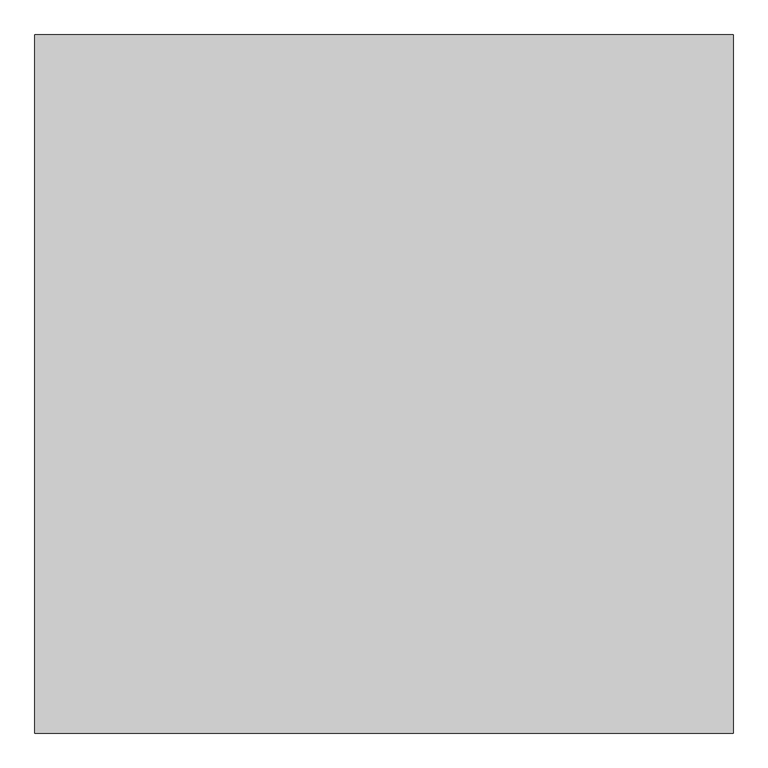
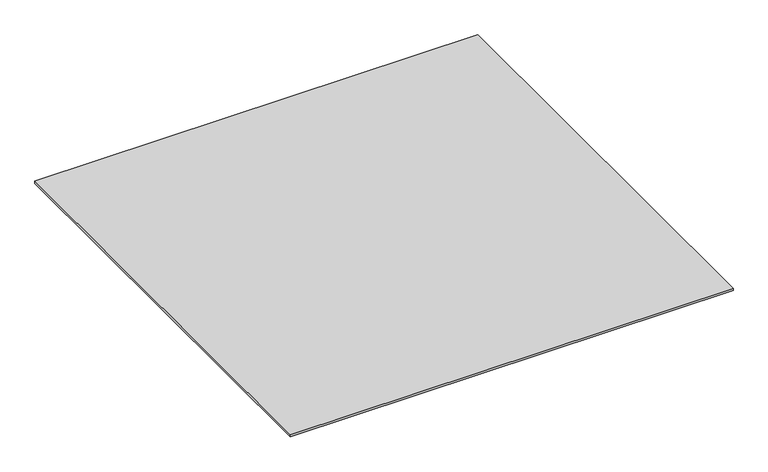
"""IFC4 building model written with IfcOpenShell, lengths in millimetres: proxy geometry."""

from ifc_helpers import new_model, si_unit, origin, origin_with_axes, place, context, project, spatial, polyline, outline, extrude, source, transform, mapped, element, save


def generic_models_b0625e11(model_context):
    return source(origin(), model_context, "Body", "SweptSolid", [
        extrude(outline(polyline([(-5796.9237868, -41687.355679), (-5796.9237868, -42687.355679), (-6796.9237868, -42687.355679), (-6796.9237868, -41687.355679), (-5796.9237868, -41687.355679)])), origin_with_axes(), (0.0, 0.0, 1.0), 5.0),
    ])


if __name__ == "__main__":
    model = new_model("IFC4")
    model_context = context("Model", 3, world=origin())
    ifc_project = project(units=[si_unit("LENGTHUNIT", "METRE", prefix="MILLI")], contexts=[model_context])
    site = spatial("IfcSite", under=ifc_project)
    building = spatial("IfcBuilding", under=site)
    placement = place(None, origin())
    generic_models_shape = generic_models_b0625e11(model_context)
    element("IfcBuildingElementProxy", 1, Name="Generic Models", at=placement, inside=building, context=model_context, shape_type="MappedRepresentation", body=[
        mapped(generic_models_shape, transform((0.0, 0.0, 0.0), x_axis=(1.0, 0.0, 0.0), y_axis=(0.0, 1.0, 0.0), z_axis=(0.0, 0.0, 1.0))),
    ])
    save(model, "model.ifc")
